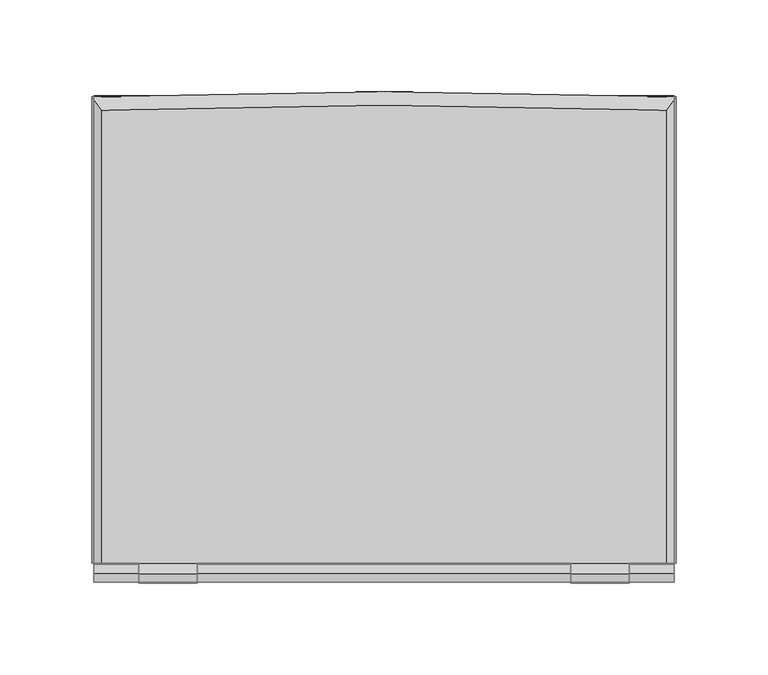
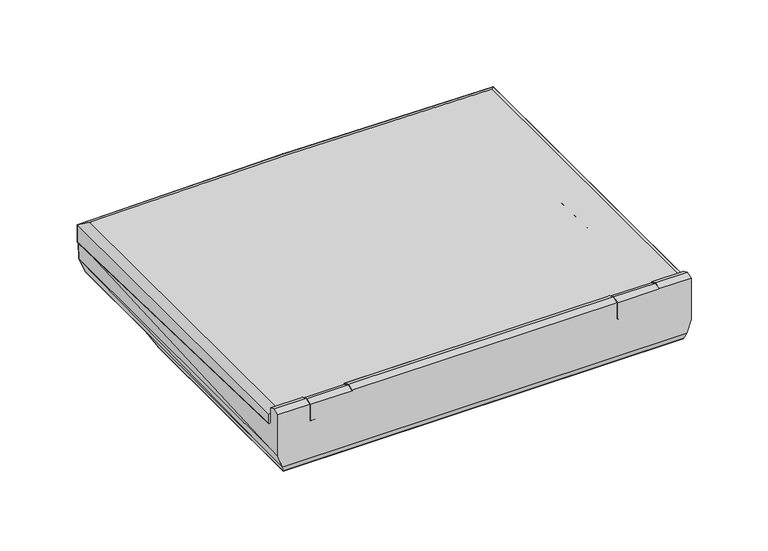
"""IFC4 building model written with IfcOpenShell, lengths in millimetres: proxy geometry."""

from ifc_helpers import new_model, si_unit, origin, place, context, project, spatial, triangles, source, transform, mapped, element, save


def entourage_dd2dcfdb(model_context):
    return source(origin(), model_context, "Body", "Tessellation", [
        triangles([(158.4298827, 167.5815043, 28.2219283), (101.7498122, -97.7315346, 35.1332638), (101.7498122, -97.7315346, 48.4911172), (101.7498122, -92.7963162, 50.2665766), (101.7498122, -87.916981, 48.1837777), (101.7498122, -87.916981, 35.1332638), (158.4298827, -87.916981, 35.1332638), (133.8223821, -97.7290002, 35.1332638), (133.8223821, -97.7315346, 48.4911172), (133.8223821, -92.7963162, 50.2665766), (133.8223821, -87.916981, 48.1837777), (133.8223821, -87.916981, 35.1332638), (-158.4324261, 167.5815043, 28.2219283), (-101.7498122, -97.7315346, 35.1332638), (-101.7498122, -97.7315346, 48.4911172), (-101.7498122, -92.7963162, 50.2665766), (-101.7498122, -87.916981, 48.1837777), (-101.7498122, -87.916981, 35.1332638), (-85.2322067, 66.8400699, 31.8084055), (144.8815363, 53.1647191, 31.9658859), (-85.2322067, 53.1647191, 31.9658859), (144.8815363, -60.6704156, 34.1909249), (-146.9211556, -74.3381496, 34.2925244), (-146.9211556, 66.8400699, 31.8084055), (-158.4324261, -87.916981, 35.1332638), (-133.8249256, -97.7315346, 35.1332638), (-133.8249256, -97.7315346, 48.4911172), (-133.8249256, -92.7963162, 50.2665766), (-133.8249256, -87.916981, 48.1837777), (-133.8249256, -87.916981, 35.1332638), (142.7072958, -58.4936362, 29.3903277), (-15.885153, -74.3381496, 34.2925244), (-19.0347518, -72.5753893, 29.4919271), (-15.885153, -60.6704156, 34.1909249), (-19.0347518, -58.4936362, 29.3903277), (155.2853798, 164.0509058, 4.7853581), (155.2853798, 83.3297429, 4.8691778), (153.4718096, 69.0041502, 0.0), (153.4718096, -95.8773418, 0.0), (-155.2879051, 164.0509058, 4.7853581), (-155.2853798, 83.3297429, 4.8691778), (-153.4718096, 69.0041502, 0.0), (-153.4718096, -95.8773418, 0.0), (155.2853798, -97.7315346, 4.8691778), (158.4298827, -97.7315346, 14.9047134), (158.4298827, -97.7315346, 48.4911172), (-155.2853798, -97.7315346, 4.8691778), (-158.4324261, -97.7315346, 14.9047134), (-158.4324261, -97.7315346, 48.4911172), (158.4298827, -92.7963162, 50.2665766), (158.4298827, -87.916981, 48.1837777), (-158.4324261, -92.7963162, 50.2665766), (-158.4324261, -87.916981, 48.1837777), (158.620387, 166.8093494, 14.9047134), (-158.620387, 166.8093494, 14.9047134), (-87.4064381, 64.9655522, 27.0992475), (142.7072958, 51.2901969, 27.254189), (-87.4064381, 51.2901969, 27.254189), (-144.7469152, -72.5753893, 29.4919271), (-144.7469152, 64.9655522, 27.0992475), (-141.2264814, 62.1182151, 32.9717247), (-90.9268809, 62.1182151, 32.9717247), (138.3740574, 48.4428598, 33.1266662), (-90.9268809, 48.4428598, 33.1266662), (138.3740574, -55.4557947, 35.1129458), (-141.2264814, -69.5375478, 35.2170841), (-21.88209, -55.4557947, 35.1129458), (-21.88209, -69.5375478, 35.2170841), (0.0, -78.9884472, 38.7774296), (0.0, 148.3192353, 34.6999191), (145.6917975, -78.9898461, 38.7725471), (145.6917975, 148.3192353, 34.6999191), (-145.1101379, -78.9898461, 38.7725471), (-145.1101379, 148.3192353, 34.6999191), (0.0, -80.5419043, 35.3042563), (0.0, 149.5303895, 31.5517237), (147.9066787, -80.5408597, 35.2986721), (147.9066787, 149.5303895, 31.5517237), (-147.3250191, -80.5408597, 35.2986721), (-147.3250191, 149.5303895, 31.5517237), (0.0, 169.8363085, 28.075512), (0.0, 169.7933787, 42.338068), (159.4433564, 167.0175307, 28.4002287), (159.4433564, 166.9753095, 42.6652237), (-159.4433564, 167.0175307, 28.4002287), (-159.4433564, 166.9753095, 42.6652237), (0.0, 162.5082493, 46.530363), (0.0, -87.4705057, 47.1443607), (101.7498122, -98.2050249, 48.5683154), (154.0179063, 159.6894715, 46.8550797), (101.7498122, -87.4705057, 47.1443607), (133.8223821, -98.2036442, 48.554708), (133.7334795, -87.4705057, 47.1443607), (154.0179063, -87.4705057, 47.1443607), (133.8223821, -93.2696067, 50.3265838), (101.7498122, -93.2696067, 50.3265838), (159.4433564, -87.47205, 42.9645877), (-101.7498122, -98.2050249, 48.5683154), (-154.0179063, 159.6894715, 46.8550797), (-101.7498122, -87.4705057, 47.1443607), (-133.8223821, -98.2036442, 48.554708), (-133.7334795, -87.4705057, 47.1443607), (-154.0179063, -87.4705057, 47.1443607), (-133.8223821, -93.2696067, 50.3265838), (-101.7498122, -93.2696067, 50.3265838), (-159.4433564, -87.47205, 42.9645877), (0.0, -87.4750749, 35.3977394), (101.7498122, -98.2072959, 35.1986305), (101.7498122, -87.4736669, 35.4026219), (133.8223821, -98.2072959, 35.1986305), (-101.7498122, -98.2072959, 35.1986305), (-101.7498122, -87.4736669, 35.4026219), (-133.8223821, -98.2072959, 35.1986305), (133.7334795, -87.4736669, 35.4026219), (159.4433564, -87.4733308, 35.3945965), (-133.7334795, -87.4736669, 35.4026219), (-159.4433564, -87.4733308, 35.3945965), (0.0, 167.5664616, 28.1582717), (156.9439995, 164.7484105, 28.4854297), (159.4433564, 69.721412, 31.075481), (0.0, 165.6881242, 31.2097592), (155.5012642, 162.8725076, 31.5362178), (-156.9439995, 164.7484105, 28.4854297), (-159.4433564, 69.721412, 31.075481), (-155.5012642, 162.8725076, 31.5362178)], [[19, 1, 13], [2, 6, 3], [3, 6, 4], [4, 6, 5], [12, 6, 8], [8, 6, 2], [11, 12, 10], [10, 12, 9], [9, 12, 8], [21, 20, 19], [20, 1, 19], [22, 6, 12], [1, 20, 7], [22, 12, 7], [23, 6, 32], [18, 6, 23], [19, 13, 24], [14, 15, 18], [15, 16, 18], [16, 17, 18], [30, 26, 18], [26, 14, 18], [29, 28, 30], [28, 27, 30], [27, 26, 30], [24, 25, 23], [23, 30, 18], [13, 25, 24], [23, 25, 30], [32, 6, 22], [22, 34, 32], [31, 33, 35], [37, 41, 36], [36, 41, 40], [42, 41, 38], [38, 41, 37], [39, 43, 38], [38, 43, 42], [44, 8, 2], [8, 44, 45], [45, 46, 9], [9, 8, 45], [44, 47, 39], [39, 47, 43], [2, 14, 47], [2, 47, 44], [3, 15, 14], [3, 14, 2], [47, 14, 26], [26, 48, 47], [48, 27, 49], [27, 48, 26], [50, 51, 11], [11, 10, 50], [5, 17, 16], [5, 16, 4], [52, 29, 53], [29, 52, 28], [46, 50, 10], [10, 9, 46], [4, 16, 15], [4, 15, 3], [49, 28, 52], [28, 49, 27], [13, 1, 55], [55, 1, 54], [55, 54, 40], [40, 54, 36], [55, 40, 41], [48, 52, 25], [52, 48, 49], [53, 25, 52], [41, 43, 47], [13, 48, 25], [55, 47, 48], [43, 41, 42], [48, 13, 55], [47, 55, 41], [51, 7, 12], [12, 11, 51], [6, 18, 17], [6, 17, 5], [53, 30, 25], [30, 53, 29], [54, 37, 36], [45, 7, 50], [50, 46, 45], [51, 50, 7], [37, 44, 39], [1, 7, 45], [54, 45, 44], [39, 38, 37], [45, 54, 1], [44, 37, 54], [57, 31, 22], [23, 32, 33], [33, 59, 23], [20, 21, 58], [58, 57, 20], [21, 19, 56], [56, 58, 21], [19, 24, 60], [60, 56, 19], [24, 23, 59], [59, 60, 24], [34, 22, 31], [31, 35, 34], [33, 32, 34], [34, 35, 33], [59, 35, 33], [20, 22, 7], [22, 20, 57], [67, 65, 63], [67, 63, 64], [64, 62, 61], [66, 64, 61], [31, 57, 63], [63, 65, 31], [35, 31, 65], [65, 67, 35], [57, 58, 64], [64, 63, 57], [58, 56, 62], [62, 64, 58], [56, 60, 61], [61, 62, 56], [60, 59, 66], [66, 61, 60], [66, 67, 64], [68, 66, 59], [59, 33, 68], [35, 67, 68], [68, 33, 35], [66, 68, 67], [69, 70, 72], [69, 72, 71], [69, 74, 70], [69, 73, 74], [76, 78, 72], [72, 70, 76], [77, 75, 69], [69, 71, 77], [78, 77, 71], [71, 72, 78], [76, 74, 80], [74, 76, 70], [79, 69, 75], [69, 79, 73], [80, 73, 79], [73, 80, 74], [81, 82, 84], [81, 84, 83], [81, 86, 82], [81, 85, 86], [82, 87, 90], [82, 90, 84], [87, 88, 91], [87, 91, 90], [90, 91, 93], [96, 89, 92], [96, 92, 95], [90, 93, 94], [97, 90, 94], [91, 95, 93], [91, 96, 95], [97, 84, 90], [82, 99, 87], [82, 86, 99], [87, 100, 88], [87, 99, 100], [99, 102, 100], [105, 101, 98], [105, 104, 101], [102, 99, 103], [106, 103, 99], [100, 102, 104], [100, 104, 105], [106, 99, 86], [89, 108, 110], [89, 110, 92], [96, 91, 89], [89, 91, 108], [108, 91, 109], [91, 88, 109], [109, 88, 107], [98, 113, 111], [98, 101, 113], [105, 98, 100], [98, 111, 100], [111, 112, 100], [100, 112, 88], [112, 107, 88], [93, 114, 115], [93, 115, 97], [95, 92, 93], [93, 92, 114], [114, 92, 110], [93, 97, 94], [102, 117, 116], [102, 106, 117], [104, 102, 101], [102, 116, 101], [116, 113, 101], [102, 103, 106], [108, 109, 114], [108, 114, 110], [81, 83, 119], [109, 107, 75], [75, 77, 109], [114, 109, 77], [120, 115, 77], [114, 77, 115], [119, 118, 81], [77, 78, 120], [119, 120, 122], [76, 121, 122], [76, 122, 78], [119, 122, 121], [119, 121, 118], [120, 78, 122], [83, 120, 119], [111, 116, 112], [111, 113, 116], [81, 123, 85], [112, 75, 107], [75, 112, 79], [116, 79, 112], [124, 79, 117], [117, 79, 116], [123, 81, 118], [79, 124, 80], [123, 125, 124], [76, 125, 121], [76, 80, 125], [123, 121, 125], [123, 118, 121], [124, 125, 80], [85, 123, 124], [117, 86, 124], [117, 106, 86], [124, 86, 85], [115, 120, 84], [115, 84, 97], [120, 83, 84]], closed=False),
    ])


if __name__ == "__main__":
    model = new_model("IFC4")
    model_context = context("Model", 3, world=origin())
    ifc_project = project(units=[si_unit("LENGTHUNIT", "METRE", prefix="MILLI")], contexts=[model_context])
    site = spatial("IfcSite", under=ifc_project)
    building = spatial("IfcBuilding", under=site)
    placement = place(None, origin())
    entourage_shape = entourage_dd2dcfdb(model_context)
    element("IfcBuildingElementProxy", 1, Name="Entourage", at=placement, inside=building, context=model_context, shape_type="MappedRepresentation", body=[
        mapped(entourage_shape, transform((0.0, 0.0, 0.0), x_axis=(1.0, 0.0, 0.0), y_axis=(0.0, 1.0, 0.0), z_axis=(0.0, 0.0, 1.0))),
    ])
    save(model, "model.ifc")
